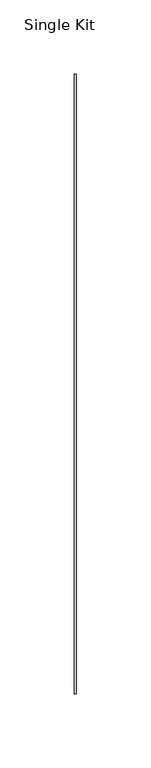
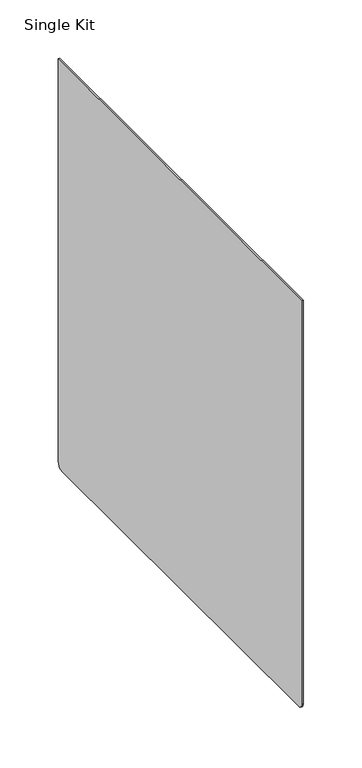
"""IFC4 building model written with IfcOpenShell, lengths in millimetres: furniture geometry, Single Kit."""

from ifc_helpers import new_model, si_unit, point, frame, frame_2d, origin, place, context, project, spatial, polyline, circle_curve, trimmed, segment, composite_curve, outline, extrude, source, transform, mapped, element, save


def single_kit_8a2f4409(model_context):
    return source(origin(), model_context, "Body", "SweptSolid", [
        extrude(outline(composite_curve([segment(polyline([(-7.4993498, 710.1586149), (-7.4993498, 288.8488076)]), True, "CONTINUOUS"), segment(trimmed(circle_curve(frame_2d((-13.2143494, 288.8488076)), 5.7149997), [point((-7.4993498, 288.8488076))], [point((-13.2143494, 283.1338079))], False, "CARTESIAN"), True, "CONTINUOUS"), segment(polyline([(-13.2143494, 283.1338079), (-418.3951375, 283.1338079)]), True, "CONTINUOUS"), segment(trimmed(circle_curve(frame_2d((-418.3951375, 288.8488297)), 5.7150218), [point((-418.3951375, 283.1338079))], [point((-424.1101593, 288.8488297))], False, "CARTESIAN"), True, "CONTINUOUS"), segment(polyline([(-424.1101593, 288.8488297), (-424.1101593, 710.1586149), (-7.4993498, 710.1586149)]), True, "CONTINUOUS")], self_intersect=False)), frame((5.7276999, 0.0, 0.0), z_axis=(1.0, 0.0, 0.0), x_axis=(0.0, 1.0, 0.0)), (0.0, 0.0, 1.0), 1.2699999),
        extrude(outline(composite_curve([segment(polyline([(-7.4993498, 710.1586149), (-7.4993498, 288.8488076)]), True, "CONTINUOUS"), segment(trimmed(circle_curve(frame_2d((-13.2143494, 288.8488076)), 5.7149997), [point((-7.4993498, 288.8488076))], [point((-13.2143494, 283.1338079))], False, "CARTESIAN"), True, "CONTINUOUS"), segment(polyline([(-13.2143494, 283.1338079), (-418.3951375, 283.1338079)]), True, "CONTINUOUS"), segment(trimmed(circle_curve(frame_2d((-418.3951375, 288.8488297)), 5.7150218), [point((-418.3951375, 283.1338079))], [point((-424.1101593, 288.8488297))], False, "CARTESIAN"), True, "CONTINUOUS"), segment(polyline([(-424.1101593, 288.8488297), (-424.1101593, 710.1586149), (-7.4993498, 710.1586149)]), True, "CONTINUOUS")], self_intersect=False)), frame((5.7276999, 0.0, 0.0), z_axis=(1.0, 0.0, 0.0), x_axis=(0.0, 1.0, 0.0)), (0.0, 0.0, 1.0), 1.2699999),
    ])


if __name__ == "__main__":
    model = new_model("IFC4")
    model_context = context("Model", 3, world=origin())
    ifc_project = project(units=[si_unit("LENGTHUNIT", "METRE", prefix="MILLI")], contexts=[model_context])
    site = spatial("IfcSite", under=ifc_project)
    building = spatial("IfcBuilding", under=site)
    placement = place(None, origin())
    single_kit_shape = single_kit_8a2f4409(model_context)
    element("IfcFurniture", 1, ObjectType="Single Kit", at=placement, inside=building, context=model_context, shape_type="MappedRepresentation", body=[
        mapped(single_kit_shape, transform((0.0, 0.0, 0.0), x_axis=(1.0, 0.0, 0.0), y_axis=(0.0, 1.0, 0.0), z_axis=(0.0, 0.0, 1.0))),
    ])
    save(model, "model.ifc")
